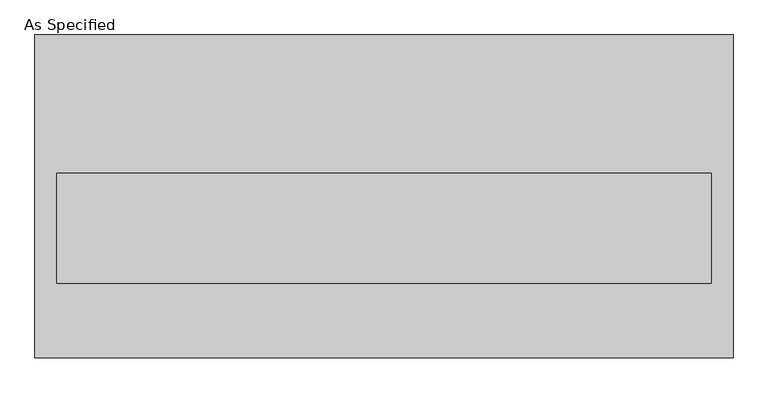
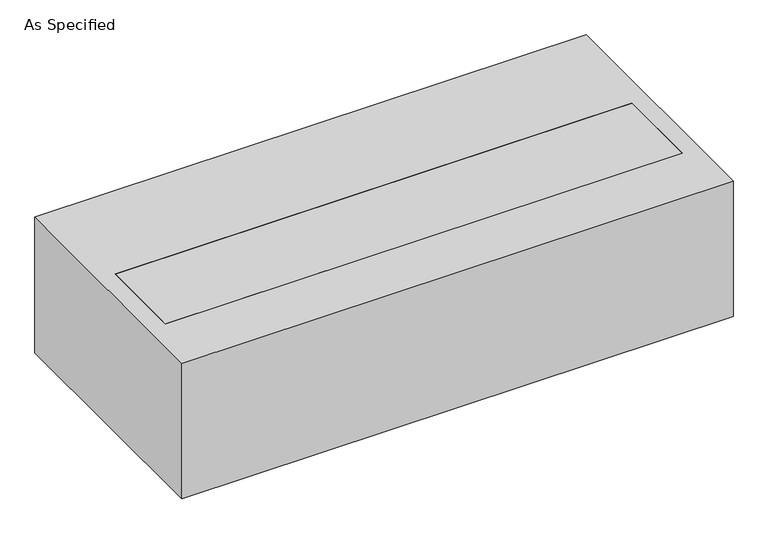
"""IFC4 building model written with IfcOpenShell, lengths in millimetres: proxy geometry, As Specified."""

from ifc_helpers import new_model, si_unit, frame, origin, place, context, project, spatial, polyline, outline, extrude, source, transform, mapped, element, save


def as_specified_4f027d7d(model_context):
    return source(origin(), model_context, "Body", "SweptSolid", [
        extrude(outline(polyline([(968.375, 447.675), (968.375, -447.675), (-968.375, -447.675), (-968.375, 447.675), (968.375, 447.675)]), holes=[polyline([(908.05, 63.5), (-908.05, 63.5), (-908.05, -241.3), (908.05, -241.3), (908.05, 63.5)])]), frame((0.0, 0.0, -530.225), z_axis=(0.0, 0.0, 1.0), x_axis=(1.0, 0.0, 0.0)), (0.0, 0.0, 1.0), 504.825),
        extrude(outline(polyline([(908.05, 63.5), (908.05, -241.3), (-908.05, -241.3), (-908.05, 63.5), (908.05, 63.5)])), frame((0.0, 0.0, -530.225), z_axis=(0.0, 0.0, 1.0), x_axis=(1.0, 0.0, 0.0)), (0.0, 0.0, 1.0), 504.825),
    ])


if __name__ == "__main__":
    model = new_model("IFC4")
    model_context = context("Model", 3, world=origin())
    ifc_project = project(units=[si_unit("LENGTHUNIT", "METRE", prefix="MILLI")], contexts=[model_context])
    site = spatial("IfcSite", under=ifc_project)
    building = spatial("IfcBuilding", under=site)
    placement = place(None, origin())
    as_specified_shape = as_specified_4f027d7d(model_context)
    element("IfcBuildingElementProxy", 1, Name="As Specified", ObjectType="As Specified", at=placement, inside=building, context=model_context, shape_type="MappedRepresentation", body=[
        mapped(as_specified_shape, transform((0.0, 0.0, 0.0), x_axis=(1.0, 0.0, 0.0), y_axis=(0.0, 1.0, 0.0), z_axis=(0.0, 0.0, 1.0))),
    ])
    save(model, "model.ifc")
